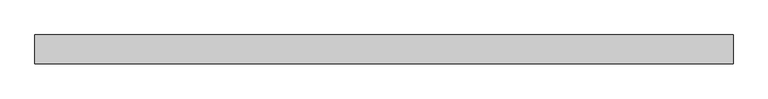
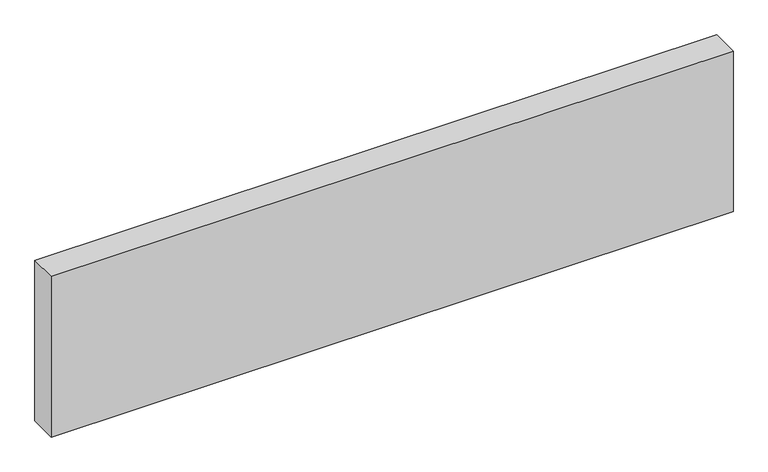
"""IFC4 building model written with IfcOpenShell, lengths in millimetres: plate geometry."""

from ifc_helpers import new_model, si_unit, origin, origin_with_axes, place, context, project, spatial, polyline, outline, extrude, source, transform, mapped, element, save


def plate_74e3b047(model_context):
    return source(origin(), model_context, "Body", "SweptSolid", [
        extrude(outline(polyline([(1204.8858409, 50.0), (1204.8858409, -50.0), (-1204.8858409, -50.0), (-1204.8858409, 50.0), (1204.8858409, 50.0)])), origin_with_axes(), (0.0, 0.0, 1.0), 600.0),
    ])


if __name__ == "__main__":
    model = new_model("IFC4")
    model_context = context("Model", 3, world=origin())
    ifc_project = project(units=[si_unit("LENGTHUNIT", "METRE", prefix="MILLI")], contexts=[model_context])
    site = spatial("IfcSite", under=ifc_project)
    building = spatial("IfcBuilding", under=site)
    placement = place(None, origin())
    plate_shape = plate_74e3b047(model_context)
    element("IfcPlate", 1, at=placement, inside=building, context=model_context, shape_type="MappedRepresentation", body=[
        mapped(plate_shape, transform((0.0, 0.0, 0.0), x_axis=(1.0, 0.0, 0.0), y_axis=(0.0, 1.0, 0.0), z_axis=(0.0, 0.0, 1.0))),
    ])
    save(model, "model.ifc")
